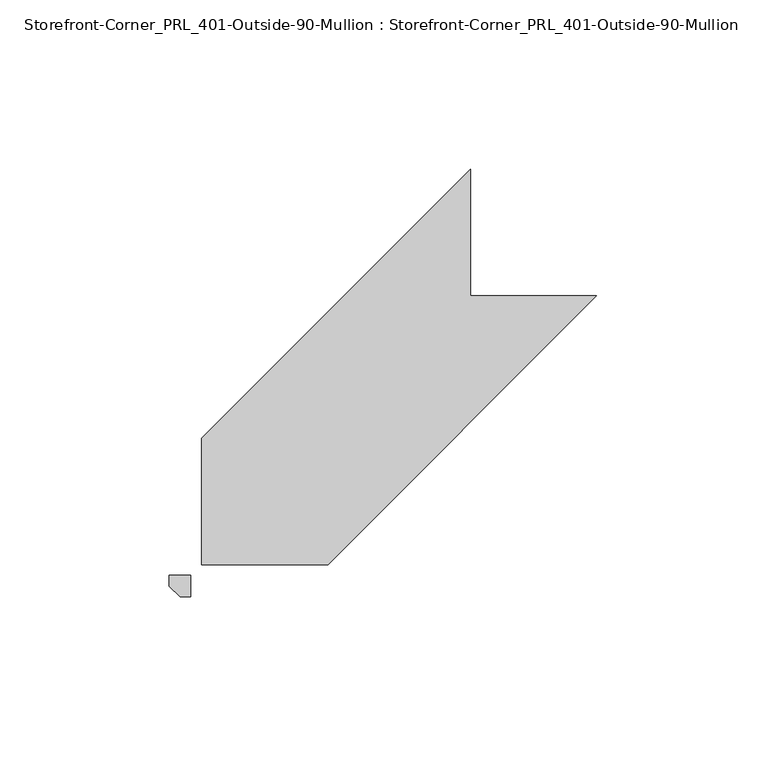
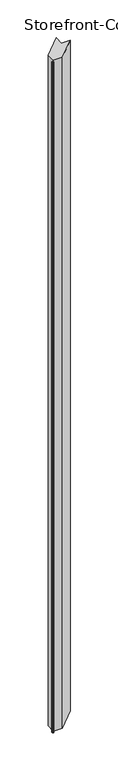
"""IFC4 building model written with IfcOpenShell, lengths in millimetres: proxy geometry, Storefront-Corner_PRL_401-Outside-90-Mullion : Storefront-Corner_PRL_401-Outside-90-Mullion."""

from ifc_helpers import new_model, si_unit, origin, origin_with_axes, place, context, project, spatial, polyline, outline, extrude, source, transform, mapped, element, save


def storefront_corner_prl_401_outside_90_mullion_storefront_e290452b(model_context):
    return source(origin(), model_context, "Body", "SweptSolid", [
        extrude(outline(polyline([(0.0, -3.175), (-3.175, 0.0), (-3.175, 3.175), (3.175, 3.175), (3.175, -3.175), (0.0, -3.175)])), origin_with_axes(), (0.0, 0.0, 1.0), 2946.4),
        extrude(outline(polyline([(6.35, 43.65625), (85.725, 123.03125), (85.725, 85.725), (123.03125, 85.725), (43.65625, 6.35), (6.35, 6.35), (6.35, 43.65625)])), origin_with_axes(), (0.0, 0.0, 1.0), 2946.4),
    ])


if __name__ == "__main__":
    model = new_model("IFC4")
    model_context = context("Model", 3, world=origin())
    ifc_project = project(units=[si_unit("LENGTHUNIT", "METRE", prefix="MILLI")], contexts=[model_context])
    site = spatial("IfcSite", under=ifc_project)
    building = spatial("IfcBuilding", under=site)
    placement = place(None, origin())
    storefront_corner_prl_401_outside_90_mullion_storefront_shape = storefront_corner_prl_401_outside_90_mullion_storefront_e290452b(model_context)
    element("IfcBuildingElementProxy", 1, Name="Storefront-Corner_PRL_401-Outside-90-Mullion : Storefront-Corner_PRL_401-Outside-90-Mullion", ObjectType="Storefront-Corner_PRL_401-Outside-90-Mullion : Storefront-Corner_PRL_401-Outside-90-Mullion", at=placement, inside=building, context=model_context, shape_type="MappedRepresentation", body=[
        mapped(storefront_corner_prl_401_outside_90_mullion_storefront_shape, transform((0.0, 0.0, 0.0), x_axis=(1.0, 0.0, 0.0), y_axis=(0.0, 1.0, 0.0), z_axis=(0.0, 0.0, 1.0))),
    ])
    save(model, "model.ifc")
